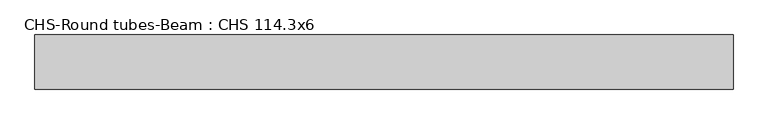
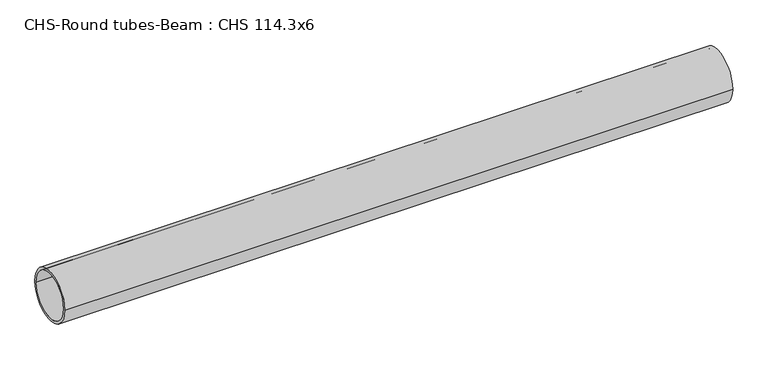
"""IFC4 building model written with IfcOpenShell, lengths in millimetres: beam geometry, CHS-Round tubes-Beam : CHS 114.3x6."""

from ifc_helpers import new_model, si_unit, point, frame, origin, origin_2d, place, context, project, spatial, circle_curve, trimmed, segment, composite_curve, outline, extrude, source, transform, mapped, element, save


def chs_round_tubes_beam_chs_114_3x6_e57d4abc(model_context):
    return source(origin(), model_context, "Body", "SweptSolid", [
        extrude(outline(composite_curve([segment(trimmed(circle_curve(origin_2d(), 57.15), [point((57.15, 0.0))], [point((-57.15, 0.0))], False, "CARTESIAN"), True, "CONTINUOUS"), segment(trimmed(circle_curve(origin_2d(), 57.15), [point((-57.15, 0.0))], [point((57.15, 0.0))], False, "CARTESIAN"), True, "CONTINUOUS")], self_intersect=False), holes=[composite_curve([segment(trimmed(circle_curve(origin_2d(), 51.15), [point((51.15, 0.0))], [point((-51.15, 0.0))], True, "CARTESIAN"), True, "CONTINUOUS"), segment(trimmed(circle_curve(origin_2d(), 51.15), [point((-51.15, 0.0))], [point((51.15, 0.0))], True, "CARTESIAN"), True, "CONTINUOUS")], self_intersect=False)]), frame((-701.5963222, 0.0, 0.0), z_axis=(1.0, 0.0, 0.0), x_axis=(0.0, 1.0, 0.0)), (0.0, 0.0, 1.0), 1475.3087764),
    ])


if __name__ == "__main__":
    model = new_model("IFC4")
    model_context = context("Model", 3, world=origin())
    ifc_project = project(units=[si_unit("LENGTHUNIT", "METRE", prefix="MILLI")], contexts=[model_context])
    site = spatial("IfcSite", under=ifc_project)
    building = spatial("IfcBuilding", under=site)
    placement = place(None, origin())
    chs_round_tubes_beam_chs_114_3x6_shape = chs_round_tubes_beam_chs_114_3x6_e57d4abc(model_context)
    element("IfcBeam", 1, ObjectType="CHS-Round tubes-Beam : CHS 114.3x6", at=placement, inside=building, context=model_context, shape_type="MappedRepresentation", body=[
        mapped(chs_round_tubes_beam_chs_114_3x6_shape, transform((0.0, 0.0, 0.0), x_axis=(1.0, 0.0, 0.0), y_axis=(0.0, 1.0, 0.0), z_axis=(0.0, 0.0, 1.0))),
    ])
    save(model, "model.ifc")
